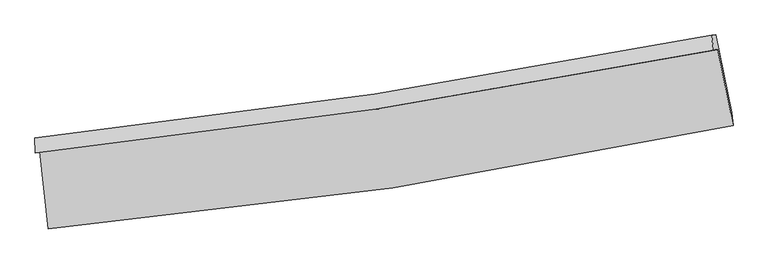
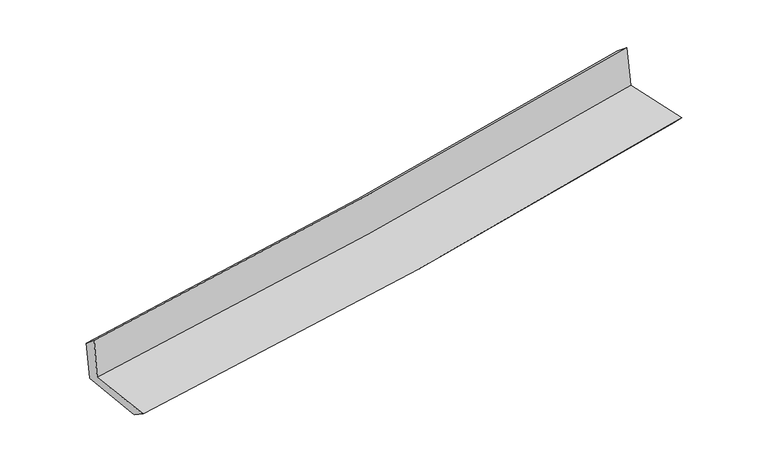
"""IFC4 building model written with IfcOpenShell, lengths in millimetres: proxy geometry."""

from ifc_helpers import new_model, si_unit, frame, origin, place, context, project, spatial, source, transform, mapped, element, save
from ifc_brep_helpers import plane_surface, spline_curve, spline_surface, advanced_brep


def generic_models_58f5b2fe(model_context):
    return source(origin(), model_context, "Body", "AdvancedBrep", [
        advanced_brep(
        [(-2889.9746848, -1901.319573, 1626.2330051), (-2815.4963736, -2557.8092758, 1619.0292185), (2961.6598472, -1684.4075444, 2132.0622158), (2833.0299682, -1041.3754134, 2124.13611), (-2925.4374844, -1913.427347, 2030.4388453), (2796.1034395, -1043.8822088, 2526.7489439), (-2930.1279161, -1786.4701726, 1925.218721), (2780.1979215, -918.6599781, 2426.8563917), (-2896.1216342, -1784.204319, 1549.1485245), (2816.0566028, -916.2256746, 2035.8863818), (-2823.029623, -2416.1170308, 1526.8258562), (2949.9988548, -1573.5441162, 2017.5865817)],
        [
            (0, 1),
            (1, 2, spline_curve(3, [(-2815.4963736, -2557.8092758, 1619.0292185), (-1843.778901511, -2471.976503041, 1718.761529836), (-875.82186278, -2356.13281287, 1811.430404784), (1049.87588196, -2064.831342486, 1982.4019668), (2007.637583618, -1889.541122278, 2060.744090995), (2961.6598472, -1684.4075444, 2132.0622158)], [4, 2, 4], [0.0, 9.592436227767324, 19.15805626074509])),
            (2, 3),
            (3, 0, spline_curve(3, [(2833.0299682, -1041.3754134, 2124.13611), (1886.400281066, -1225.506609755, 2045.564332798), (936.840048199, -1389.162613389, 1964.847603097), (-970.811715635, -1675.925627733, 1798.891944621), (-1928.919700228, -1798.91767707, 1713.640972596), (-2889.9746848, -1901.319573, 1626.2330051)], [4, 2, 4], [0.0, 9.565620032977767, 19.15805626074509])),
            (4, 0),
            (3, 5),
            (5, 4, spline_curve(3, [(2796.1034395, -1043.8822088, 2526.7489439), (1850.034824903, -1232.892907786, 2452.085193903), (900.877156999, -1399.789920832, 2373.457592234), (-1006.285807045, -1689.762460773, 2208.04314804), (-1964.308447185, -1812.71382696, 2121.23405044), (-2925.4374844, -1913.427347, 2030.4388453)], [4, 2, 4], [0.0, 9.517981252173772, 19.062645148899776])),
            (6, 4),
            (5, 7),
            (7, 6, spline_curve(3, [(2780.1979215, -918.6599781, 2426.8563917), (1835.962943147, -1107.308957628, 2352.527300766), (888.655352963, -1273.880683823, 2273.624540563), (-1014.769341223, -1563.27470481, 2106.437662975), (-1970.903696908, -1685.973043391, 2018.127866713), (-2930.1279161, -1786.4701726, 1925.218721)], [4, 2, 4], [0.0, 9.509244925245161, 19.04514800368247])),
            (8, 6),
            (7, 9),
            (9, 8, spline_curve(3, [(2816.0566028, -916.2256746, 2035.8863818), (1872.261025515, -1104.856742207, 1955.752173796), (925.019508427, -1271.433498281, 1875.180969303), (-979.020556442, -1560.883539966, 1712.937470654), (-1935.83845138, -1683.632999012, 1631.262722403), (-2896.1216342, -1784.204319, 1549.1485245)], [4, 2, 4], [0.0, 9.50075729233506, 19.028148943689317])),
            (10, 8),
            (9, 11),
            (11, 10, spline_curve(3, [(2949.9988548, -1573.5441162, 2017.5865817), (1995.447645509, -1760.071190207, 1936.64343855), (1037.764117155, -1923.483255402, 1855.332899721), (-886.561121631, -2204.470676422, 1691.748053705), (-1853.220419476, -2321.916249185, 1609.471684494), (-2823.029623, -2416.1170308, 1526.8258562)], [4, 2, 4], [0.0, 9.547632609383978, 19.122030987735332])),
            (1, 10),
            (11, 2),
        ],
        [
            spline_surface(3, 3, [[(-2889.9746848, -1901.319573, 1626.2330051), (-1928.919700244, -1798.917677138, 1713.640972707), (-970.811715568, -1675.925627629, 1798.89194463), (936.840048133, -1389.162613493, 1964.847603088), (1886.400281103, -1225.506609775, 2045.564332853), (2833.0299682, -1041.3754134, 2124.13611)], [(-2865.148581069, -2120.149473933, 1623.831742877), (-1900.539433963, -2023.270619093, 1715.347825111), (-939.148431299, -1902.661356025, 1803.071431373), (974.518659392, -1614.385523155, 1970.699057621), (1926.812715247, -1446.851447237, 2050.624252211), (2875.906594546, -1255.719457055, 2126.778145268)], [(-2840.322477331, -2338.979374867, 1621.430480723), (-1872.159167676, -2247.62356105, 1717.054677583), (-907.485147015, -2129.397084451, 1807.250918134), (1012.197270667, -1839.608432846, 1976.550512174), (1967.225149352, -1668.196284734, 2055.684171566), (2918.783220854, -1470.063500745, 2129.420180532)], [(-2815.4963736, -2557.8092758, 1619.0292185), (-1843.778901395, -2471.976503005, 1718.761529987), (-875.821862747, -2356.132812847, 1811.430404877), (1049.875881927, -2064.831342508, 1982.401966707), (2007.637583495, -1889.541122195, 2060.744090924), (2961.6598472, -1684.4075444, 2132.0622158)]], [4, 4], [4, 2, 4], [0.0, 2.250780538038609], [0.0, 9.592436227767324, 19.15805626074509]),
            spline_surface(3, 3, [[(-2925.4374844, -1913.427347, 2030.4388453), (-1964.30844719, -1812.713826946, 2121.234050534), (-1006.285807029, -1689.76246075, 2208.043148177), (900.877156984, -1399.789920856, 2373.457592098), (1850.03482482, -1232.892907628, 2452.085193966), (2796.1034395, -1043.8822088, 2526.7489439)], [(-2913.61655122, -1909.391422328, 1895.703565251), (-1952.512198228, -1808.115110338, 1985.369691276), (-994.461109853, -1685.150183028, 2071.659413656), (912.864787389, -1396.247485053, 2237.254262423), (1862.156643587, -1230.43080834, 2316.578240242), (2808.412282405, -1043.04661033, 2392.544665914)], [(-2901.79561798, -1905.355497672, 1760.968285149), (-1940.715949206, -1803.516393746, 1849.505331964), (-982.636412744, -1680.53790535, 1935.275679151), (924.852417727, -1392.705049295, 2101.050932763), (1874.278462337, -1227.968709062, 2181.071286577), (2820.721125295, -1042.21101187, 2258.340387986)], [(-2889.9746848, -1901.319573, 1626.2330051), (-1928.919700244, -1798.917677138, 1713.640972707), (-970.811715568, -1675.925627629, 1798.89194463), (936.840048133, -1389.162613493, 1964.847603088), (1886.400281103, -1225.506609775, 2045.564332853), (2833.0299682, -1041.3754134, 2124.13611)]], [4, 4], [4, 2, 4], [0.0, 1.347181127991139], [0.0, 9.544663896726004, 19.062645148899776]),
            spline_surface(3, 3, [[(-2930.1279161, -1786.4701726, 1925.218721), (-1970.90369686, -1685.973043264, 2018.127866631), (-1014.769341235, -1563.274704717, 2106.437663089), (888.655352975, -1273.880683915, 2273.624540449), (1835.962943275, -1107.308957662, 2352.527300903), (2780.1979215, -918.6599781, 2426.8563917)], [(-2928.564438876, -1828.789230724, 1960.292095771), (-1968.705280312, -1728.219971148, 2052.496594603), (-1011.941496493, -1605.437290077, 2140.30615813), (892.729287651, -1315.850429577, 2306.902224344), (1840.653570462, -1149.170274337, 2385.713265279), (2785.499760838, -960.400721686, 2460.153909121)], [(-2927.000961624, -1871.108288876, 1995.365470529), (-1966.506863737, -1770.466899061, 2086.865322561), (-1009.113651771, -1647.599875391, 2174.174653136), (896.803222308, -1357.820175193, 2340.179908203), (1845.344197634, -1191.031590953, 2418.89922959), (2790.801600162, -1002.141465214, 2493.451426479)], [(-2925.4374844, -1913.427347, 2030.4388453), (-1964.30844719, -1812.713826946, 2121.234050534), (-1006.285807029, -1689.76246075, 2208.043148177), (900.877156984, -1399.789920856, 2373.457592098), (1850.03482482, -1232.892907628, 2452.085193966), (2796.1034395, -1043.8822088, 2526.7489439)]], [4, 4], [4, 2, 4], [0.0, 0.5308294097388268], [0.0, 9.53590307843731, 19.04514800368247]),
            spline_surface(3, 3, [[(-2896.1216342, -1784.204319, 1549.1485245), (-1935.838451473, -1683.63299896, 1631.262722422), (-979.020556305, -1560.883540092, 1712.937470553), (925.01950829, -1271.433498156, 1875.180969404), (1872.261025471, -1104.856742211, 1955.752173713), (2816.0566028, -916.2256746, 2035.8863818)], [(-2907.457061475, -1784.959603553, 1674.505256667), (-1947.526866577, -1684.413013748, 1760.217770492), (-990.936817969, -1561.680594959, 1844.104201401), (912.898123164, -1272.249226734, 2007.995493089), (1860.161664741, -1105.674147357, 2088.010549441), (2804.103709036, -917.037109096, 2166.209718431)], [(-2918.792488825, -1785.714888047, 1799.861988833), (-1959.215281755, -1685.193028476, 1889.172818561), (-1002.853079571, -1562.47764985, 1975.27093224), (900.776738101, -1273.064955336, 2140.810016764), (1848.062304005, -1106.491552516, 2220.268925175), (2792.150815264, -917.848543604, 2296.533055069)], [(-2930.1279161, -1786.4701726, 1925.218721), (-1970.90369686, -1685.973043264, 2018.127866631), (-1014.769341235, -1563.274704717, 2106.437663089), (888.655352975, -1273.880683915, 2273.624540449), (1835.962943275, -1107.308957662, 2352.527300903), (2780.1979215, -918.6599781, 2426.8563917)]], [4, 4], [4, 2, 4], [0.0, 1.3044963135665075], [0.0, 9.527391651354257, 19.028148943689317]),
            spline_surface(3, 3, [[(-2823.029623, -2416.1170308, 1526.8258562), (-1853.220419457, -2321.916249263, 1609.471684478), (-886.561121788, -2204.470676313, 1691.748053864), (1037.764117312, -1923.483255511, 1855.332899562), (1995.447645522, -1760.071190302, 1936.643438683), (2949.9988548, -1573.5441162, 2017.5865817)], [(-2847.39362673, -2205.479460182, 1534.266745624), (-1880.759763459, -2109.15516581, 1616.735363783), (-917.380933291, -1989.941630897, 1698.811192745), (1000.182580975, -1706.133336384, 1861.948922828), (1954.385438806, -1541.666374281, 1943.013017017), (2905.351437435, -1354.437969009, 2023.686515057)], [(-2871.75763047, -1994.841889618, 1541.707635076), (-1908.29910747, -1896.394082412, 1623.999043117), (-948.200744803, -1775.412585507, 1705.874331671), (962.601044627, -1488.783417283, 1868.564946138), (1913.323232186, -1323.261558232, 1949.38259538), (2860.704020165, -1135.331821791, 2029.786448443)], [(-2896.1216342, -1784.204319, 1549.1485245), (-1935.838451473, -1683.63299896, 1631.262722422), (-979.020556305, -1560.883540092, 1712.937470553), (925.01950829, -1271.433498156, 1875.180969404), (1872.261025471, -1104.856742211, 1955.752173713), (2816.0566028, -916.2256746, 2035.8863818)]], [4, 4], [4, 2, 4], [0.0, 2.152880614625887], [0.0, 9.574398378351354, 19.122030987735332]),
            spline_surface(3, 3, [[(-2815.4963736, -2557.8092758, 1619.0292185), (-1843.778901395, -2471.976503005, 1718.761529987), (-875.821862747, -2356.132812847, 1811.430404877), (1049.875881927, -2064.831342508, 1982.401966707), (2007.637583495, -1889.541122195, 2060.744090924), (2961.6598472, -1684.4075444, 2132.0622158)], [(-2818.007456729, -2510.57852748, 1588.294764409), (-1846.926074078, -2421.956418437, 1682.331581493), (-879.401615767, -2305.578767361, 1771.536287884), (1045.838627049, -2017.715313535, 1940.045611003), (2003.574270844, -1846.384478221, 2019.377206853), (2957.77284974, -1647.453068323, 2093.903671109)], [(-2820.518539871, -2463.34777912, 1557.560310291), (-1850.073246774, -2371.936333831, 1645.901632972), (-882.981368768, -2255.024721799, 1731.642170858), (1041.80137219, -1970.599284484, 1897.689255266), (1999.510958173, -1803.227834276, 1978.010322754), (2953.88585226, -1610.498592277, 2055.745126391)], [(-2823.029623, -2416.1170308, 1526.8258562), (-1853.220419457, -2321.916249263, 1609.471684478), (-886.561121788, -2204.470676313, 1691.748053864), (1037.764117312, -1923.483255511, 1855.332899562), (1995.447645522, -1760.071190302, 1936.643438683), (2949.9988548, -1573.5441162, 2017.5865817)]], [4, 4], [4, 2, 4], [0.0, 0.6295235852586117], [0.0, 9.63066151099634, 19.23439996627472]),
            plane_surface(frame((2856.174439, -1196.3491559, 2210.5461041), z_axis=(0.9763103198638838, 0.1964164843699273, 0.09076741703408377), x_axis=(-0.09133211364241578, -0.006200174540556496, 0.9958011864088512))),
            plane_surface(frame((-2880.031286, -2059.8912864, 1712.8156951), z_axis=(-0.9896893580285591, -0.11129020413954441, -0.0901635462235015), x_axis=(-0.11271950536408466, 0.9935670316660365, 0.010902600461238813))),
        ],
        [
            (0, [[1, 2, 3, 4]]),
            (1, [[5, -4, 6, 7]]),
            (2, [[8, -7, 9, 10]]),
            (3, [[11, -10, 12, 13]]),
            (4, [[14, -13, 15, 16]]),
            (5, [[17, -16, 18, -2]]),
            (6, [[-12, -9, -6, -3, -18, -15]]),
            (7, [[-1, -5, -8, -11, -14, -17]]),
        ],
    ),
    ])


if __name__ == "__main__":
    model = new_model("IFC4")
    model_context = context("Model", 3, world=origin())
    ifc_project = project(units=[si_unit("LENGTHUNIT", "METRE", prefix="MILLI")], contexts=[model_context])
    site = spatial("IfcSite", under=ifc_project)
    building = spatial("IfcBuilding", under=site)
    placement = place(None, origin())
    generic_models_shape = generic_models_58f5b2fe(model_context)
    element("IfcBuildingElementProxy", 1, Name="Generic Models", at=placement, inside=building, context=model_context, shape_type="MappedRepresentation", body=[
        mapped(generic_models_shape, transform((0.0, 0.0, 0.0), x_axis=(1.0, 0.0, 0.0), y_axis=(0.0, 1.0, 0.0), z_axis=(0.0, 0.0, 1.0))),
    ])
    save(model, "model.ifc")
